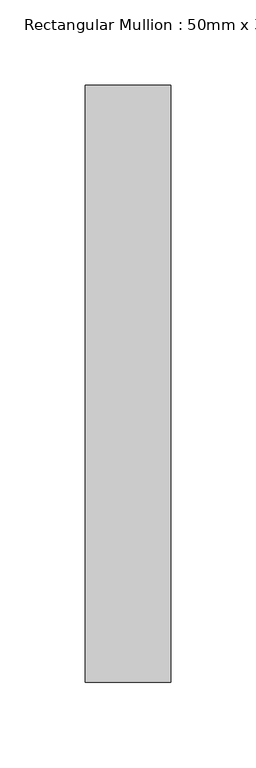
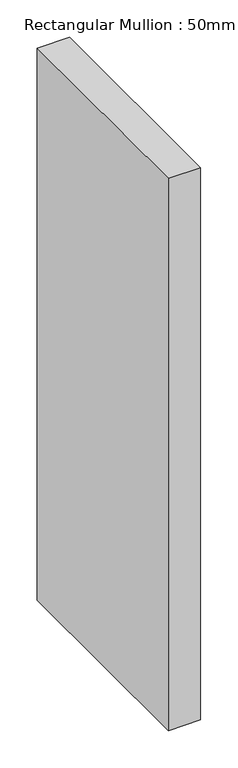
"""IFC4 building model written with IfcOpenShell, lengths in millimetres: member geometry, Rectangular Mullion : 50mm x 350mm."""

from ifc_helpers import new_model, si_unit, frame, origin, place, context, project, spatial, polyline, outline, extrude, source, transform, mapped, element, save


def rectangular_mullion_50mm_x_350mm_a89eb6ed(model_context):
    return source(origin(), model_context, "Body", "SweptSolid", [
        extrude(outline(polyline([(0.0, 175.0), (0.0, -175.0), (-50.0, -175.0), (-50.0, 175.0), (0.0, 175.0)])), frame((0.0, 0.0, -900.0), z_axis=(0.0, 0.0, 1.0), x_axis=(1.0, 0.0, 0.0)), (0.0, 0.0, 1.0), 900.0),
    ])


if __name__ == "__main__":
    model = new_model("IFC4")
    model_context = context("Model", 3, world=origin())
    ifc_project = project(units=[si_unit("LENGTHUNIT", "METRE", prefix="MILLI")], contexts=[model_context])
    site = spatial("IfcSite", under=ifc_project)
    building = spatial("IfcBuilding", under=site)
    placement = place(None, origin())
    rectangular_mullion_50mm_x_350mm_shape = rectangular_mullion_50mm_x_350mm_a89eb6ed(model_context)
    element("IfcMember", 1, ObjectType="Rectangular Mullion : 50mm x 350mm", at=placement, inside=building, context=model_context, shape_type="MappedRepresentation", body=[
        mapped(rectangular_mullion_50mm_x_350mm_shape, transform((0.0, 0.0, 0.0), x_axis=(1.0, 0.0, 0.0), y_axis=(0.0, 1.0, 0.0), z_axis=(0.0, 0.0, 1.0))),
    ])
    save(model, "model.ifc")
